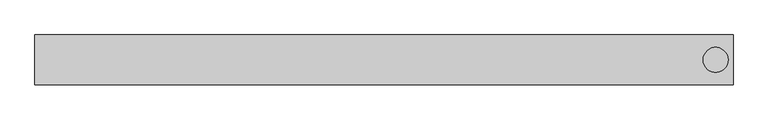
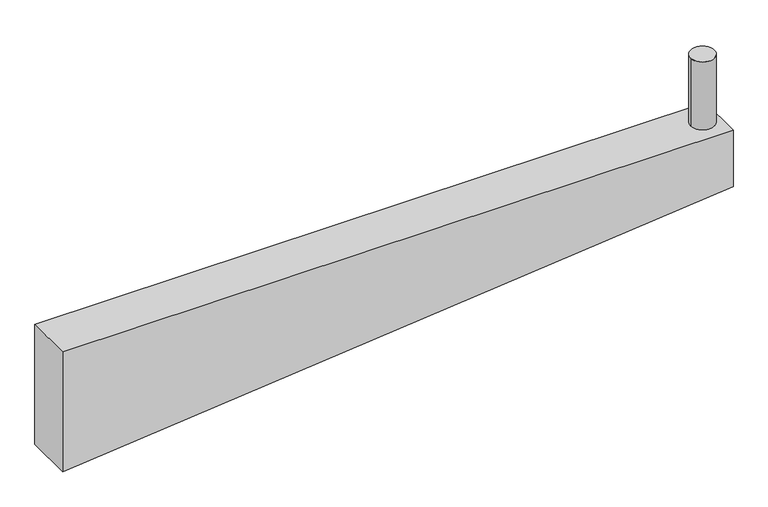
"""IFC4 building model written with IfcOpenShell, lengths in millimetres: beam geometry."""

from ifc_helpers import new_model, si_unit, point, frame, frame_2d, origin, origin_with_axes, place, context, project, spatial, polyline, circle_curve, trimmed, segment, composite_curve, outline, extrude, source, transform, mapped, element, save


def beam_78ef4bd3(model_context):
    return source(origin(), model_context, "Body", "SweptSolid", [
        extrude(outline(composite_curve([segment(trimmed(circle_curve(frame_2d((1330.0, 0.0)), 50.0), [point((1280.0, 0.0))], [point((1380.0, 0.0))], False, "CARTESIAN"), True, "CONTINUOUS"), segment(trimmed(circle_curve(frame_2d((1330.0, 0.0)), 50.0), [point((1380.0, 0.0))], [point((1280.0, 0.0))], False, "CARTESIAN"), True, "CONTINUOUS")], self_intersect=False)), origin_with_axes(), (0.0, 0.0, 1.0), 300.0),
        extrude(outline(polyline([(-250.0, 1400.0), (0.0, 1400.0), (0.0, -1400.0), (-530.0, -1400.0), (-250.0, 1400.0)])), frame((0.0, -100.0, 0.0), z_axis=(0.0, 1.0, 0.0), x_axis=(0.0, 0.0, 1.0)), (0.0, 0.0, 1.0), 200.0),
    ])


if __name__ == "__main__":
    model = new_model("IFC4")
    model_context = context("Model", 3, world=origin())
    ifc_project = project(units=[si_unit("LENGTHUNIT", "METRE", prefix="MILLI")], contexts=[model_context])
    site = spatial("IfcSite", under=ifc_project)
    building = spatial("IfcBuilding", under=site)
    placement = place(None, origin())
    beam_shape = beam_78ef4bd3(model_context)
    element("IfcBeam", 1, at=placement, inside=building, context=model_context, shape_type="MappedRepresentation", body=[
        mapped(beam_shape, transform((0.0, 0.0, 0.0), x_axis=(1.0, 0.0, 0.0), y_axis=(0.0, 1.0, 0.0), z_axis=(0.0, 0.0, 1.0))),
    ])
    save(model, "model.ifc")
